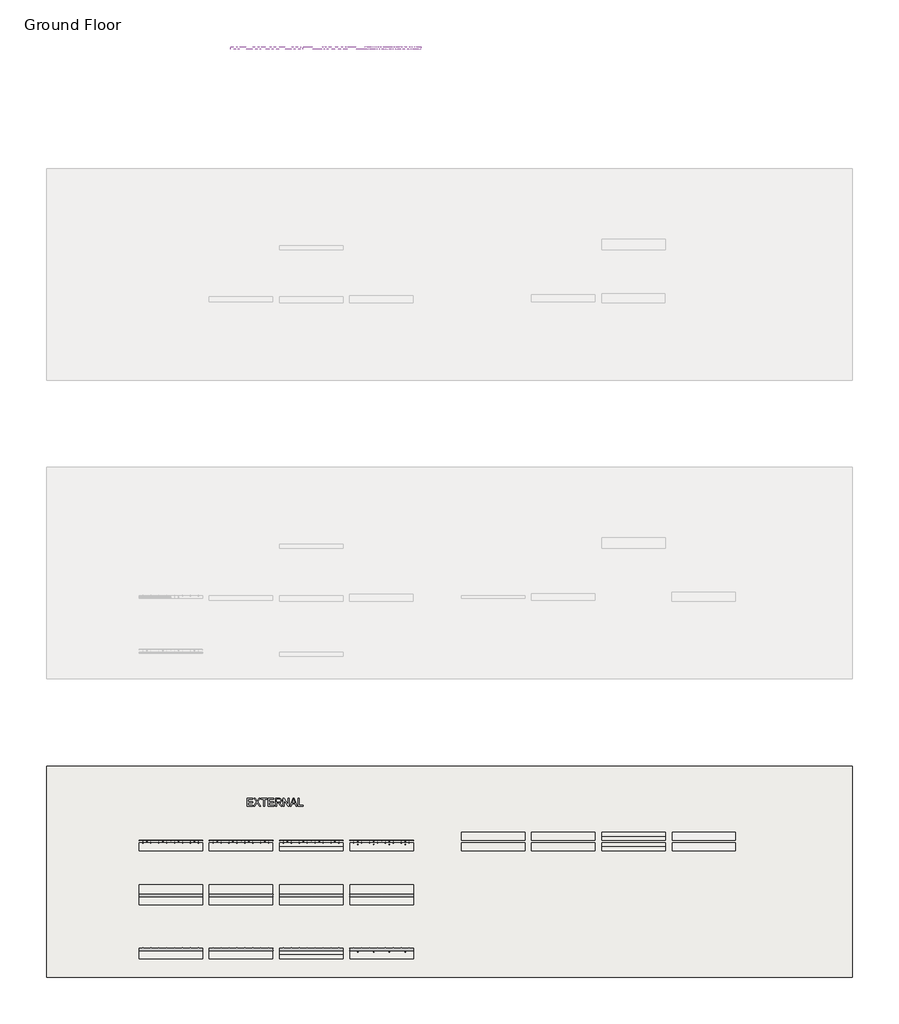
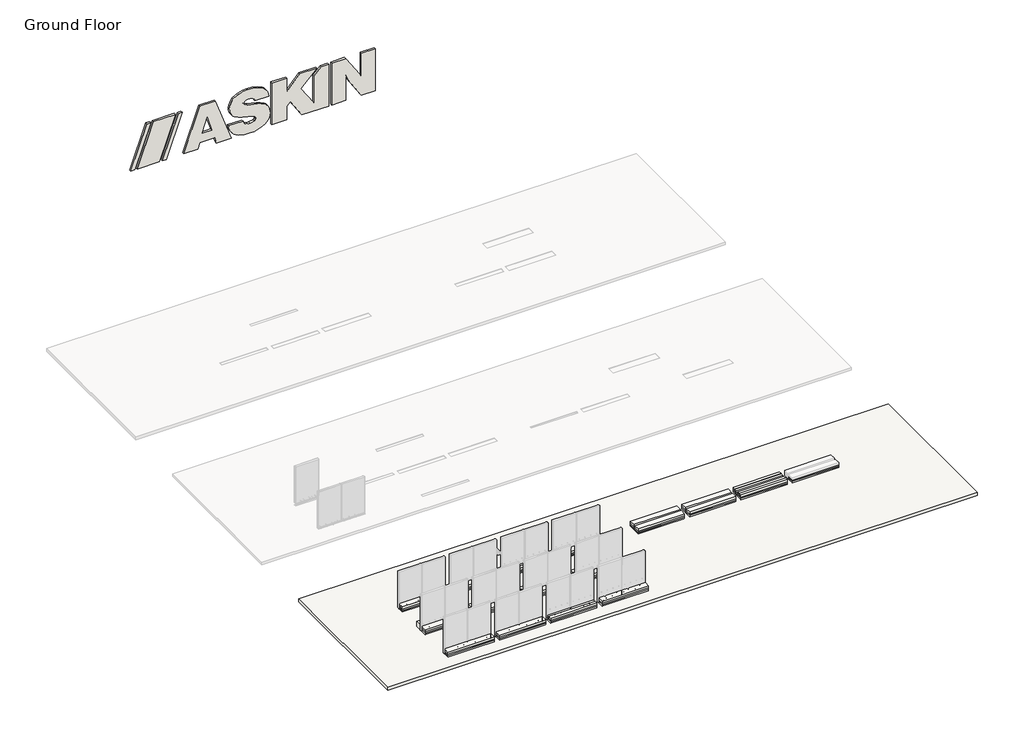
# One storey, part 1 of 24: 69 slabs, 2 walls.
"""IFC4 building model written with IfcOpenShell, lengths in millimetres."""

from ifc_helpers import new_model, si_unit, point, frame, frame_2d, origin, origin_with_axes, place, context, project, spatial, polyline, circle_curve, trimmed, segment, composite_curve, outline, extrude, element, save

model = new_model("IFC4")

# Units and contexts
model_context = context("Model", 3, world=origin())
ifc_project = project(units=[si_unit("LENGTHUNIT", "METRE", prefix="MILLI")], contexts=[model_context])

# Site, building, storey
site = spatial("IfcSite", under=ifc_project)
building = spatial("IfcBuilding", under=site)
storey = spatial("IfcBuildingStorey", under=building, Name="Ground Floor", Elevation=0.0)

# Slabs
placement = place(None, origin())
element("IfcSlab", 1, ObjectType="Concrete 105mm", at=placement, inside=storey, context=model_context, shape_type="SweptSolid", body=[
    extrude(outline(polyline([(-2895.3690716, -21717.3538557), (-2895.3690716, -21869.3538557), (-5295.3690716, -21869.3538557), (-5295.3690716, -21717.3538557), (-2895.3690716, -21717.3538557)])), frame((0.0, 0.0, 149.9517125), z_axis=(0.0, 0.0, 1.0), x_axis=(1.0, 0.0, 0.0)), (0.0, 0.0, 1.0), 105.0),
])
element("IfcSlab", 2, ObjectType="Concrete 105mm", at=placement, inside=storey, context=model_context, shape_type="SweptSolid", body=[
    extrude(outline(polyline([(-2895.3690716, -25792.7541708), (-2895.3690716, -25944.7541708), (-5295.3690716, -25944.7541708), (-5295.3690716, -25792.7541708), (-2895.3690716, -25792.7541708)])), frame((0.0, 0.0, 149.9517125), z_axis=(0.0, 0.0, 1.0), x_axis=(1.0, 0.0, 0.0)), (0.0, 0.0, 1.0), 105.0),
])
element("IfcSlab", 3, ObjectType="Concrete 105mm", at=placement, inside=storey, context=model_context, shape_type="SweptSolid", body=[
    extrude(outline(polyline([(9304.6309284, -21717.3538557), (9304.6309284, -21869.3538557), (6904.6309284, -21869.3538557), (6904.6309284, -21717.3538557), (9304.6309284, -21717.3538557)])), frame((0.0, 0.0, 149.9517125), z_axis=(0.0, 0.0, 1.0), x_axis=(1.0, 0.0, 0.0)), (0.0, 0.0, 1.0), 105.0),
])
element("IfcSlab", 4, ObjectType="Concrete 105mm", at=placement, inside=storey, context=model_context, shape_type="SweptSolid", body=[
    extrude(outline(polyline([(9304.6309284, -21617.3538594), (6904.6309284, -21617.3538594), (6904.6309284, -21465.3538594), (9304.6309284, -21465.3538594), (9304.6309284, -21617.3538594)])), frame((0.0, 0.0, 149.9517125), z_axis=(0.0, 0.0, 1.0), x_axis=(1.0, 0.0, 0.0)), (0.0, 0.0, 1.0), 105.0),
])
element("IfcSlab", 5, ObjectType="Concrete 125mm", at=placement, inside=storey, context=model_context, shape_type="SweptSolid", body=[
    extrude(outline(polyline([(-8215.3690716, -21717.3538557), (-8215.3690716, -22017.3538557), (-10615.3690716, -22017.3538557), (-10615.3690716, -21717.3538557), (-8215.3690716, -21717.3538557)])), frame((0.0, 0.0, 150.0), z_axis=(0.0, 0.0, 1.0), x_axis=(1.0, 0.0, 0.0)), (0.0, 0.0, 1.0), 125.0),
])
element("IfcSlab", 6, ObjectType="Concrete 125mm", at=placement, inside=storey, context=model_context, shape_type="SweptSolid", body=[
    extrude(outline(polyline([(-5555.3690716, -21717.3538557), (-5555.3690716, -22017.3538557), (-7955.3690716, -22017.3538557), (-7955.3690716, -21717.3538557), (-5555.3690716, -21717.3538557)])), frame((0.0, 0.0, 150.0), z_axis=(0.0, 0.0, 1.0), x_axis=(1.0, 0.0, 0.0)), (0.0, 0.0, 1.0), 125.0),
])
element("IfcSlab", 7, ObjectType="Concrete 125mm", at=placement, inside=storey, context=model_context, shape_type="SweptSolid", body=[
    extrude(outline(polyline([(-2895.3690716, -21869.3538557), (-2895.3690716, -22017.3538557), (-5295.3690716, -22017.3538557), (-5295.3690716, -21869.3538557), (-2895.3690716, -21869.3538557)])), frame((0.0, 0.0, 150.0), z_axis=(0.0, 0.0, 1.0), x_axis=(1.0, 0.0, 0.0)), (0.0, 0.0, 1.0), 125.0),
])
element("IfcSlab", 8, ObjectType="Concrete 125mm", at=placement, inside=storey, context=model_context, shape_type="SweptSolid", body=[
    extrude(outline(polyline([(-235.3690716, -21717.3538557), (-235.3690716, -22017.3538557), (-2635.3690716, -22017.3538557), (-2635.3690716, -21717.3538557), (-235.3690716, -21717.3538557)])), frame((0.0, 0.0, 150.0), z_axis=(0.0, 0.0, 1.0), x_axis=(1.0, 0.0, 0.0)), (0.0, 0.0, 1.0), 125.0),
])
element("IfcSlab", 9, ObjectType="Concrete 125mm", at=placement, inside=storey, context=model_context, shape_type="SweptSolid", body=[
    extrude(outline(polyline([(-8215.3690716, -23755.054017), (-8215.3690716, -24055.054017), (-10615.3690716, -24055.054017), (-10615.3690716, -23755.054017), (-8215.3690716, -23755.054017)])), frame((0.0, 0.0, 150.0), z_axis=(0.0, 0.0, 1.0), x_axis=(1.0, 0.0, 0.0)), (0.0, 0.0, 1.0), 125.0),
])
element("IfcSlab", 10, ObjectType="Concrete 125mm", at=placement, inside=storey, context=model_context, shape_type="SweptSolid", body=[
    extrude(outline(polyline([(-5555.3690716, -23755.054017), (-5555.3690716, -24055.054017), (-7955.3690716, -24055.054017), (-7955.3690716, -23755.054017), (-5555.3690716, -23755.054017)])), frame((0.0, 0.0, 150.0), z_axis=(0.0, 0.0, 1.0), x_axis=(1.0, 0.0, 0.0)), (0.0, 0.0, 1.0), 125.0),
])
element("IfcSlab", 11, ObjectType="Concrete 125mm", at=placement, inside=storey, context=model_context, shape_type="SweptSolid", body=[
    extrude(outline(polyline([(-2895.3690716, -23755.054017), (-2895.3690716, -24055.054017), (-5295.3690716, -24055.054017), (-5295.3690716, -23755.054017), (-2895.3690716, -23755.054017)])), frame((0.0, 0.0, 150.0), z_axis=(0.0, 0.0, 1.0), x_axis=(1.0, 0.0, 0.0)), (0.0, 0.0, 1.0), 125.0),
])
element("IfcSlab", 12, ObjectType="Concrete 125mm", at=placement, inside=storey, context=model_context, shape_type="SweptSolid", body=[
    extrude(outline(polyline([(-235.3690716, -23755.054017), (-235.3690716, -24055.054017), (-2635.3690716, -24055.054017), (-2635.3690716, -23755.054017), (-235.3690716, -23755.054017)])), frame((0.0, 0.0, 150.0), z_axis=(0.0, 0.0, 1.0), x_axis=(1.0, 0.0, 0.0)), (0.0, 0.0, 1.0), 125.0),
])
element("IfcSlab", 13, ObjectType="Concrete 125mm", at=placement, inside=storey, context=model_context, shape_type="SweptSolid", body=[
    extrude(outline(polyline([(-8215.3690716, -25792.7541708), (-8215.3690716, -26092.7541708), (-10615.3690716, -26092.7541708), (-10615.3690716, -25792.7541708), (-8215.3690716, -25792.7541708)])), frame((0.0, 0.0, 150.0), z_axis=(0.0, 0.0, 1.0), x_axis=(1.0, 0.0, 0.0)), (0.0, 0.0, 1.0), 125.0),
])
element("IfcSlab", 14, ObjectType="Concrete 125mm", at=placement, inside=storey, context=model_context, shape_type="SweptSolid", body=[
    extrude(outline(polyline([(-5555.3690716, -25792.7541708), (-5555.3690716, -26092.7541708), (-7955.3690716, -26092.7541708), (-7955.3690716, -25792.7541708), (-5555.3690716, -25792.7541708)])), frame((0.0, 0.0, 150.0), z_axis=(0.0, 0.0, 1.0), x_axis=(1.0, 0.0, 0.0)), (0.0, 0.0, 1.0), 125.0),
])
element("IfcSlab", 15, ObjectType="Concrete 125mm", at=placement, inside=storey, context=model_context, shape_type="SweptSolid", body=[
    extrude(outline(polyline([(-2895.3690716, -25944.7541708), (-2895.3690716, -26092.7541708), (-5295.3690716, -26092.7541708), (-5295.3690716, -25944.7541708), (-2895.3690716, -25944.7541708)])), frame((0.0, 0.0, 150.0), z_axis=(0.0, 0.0, 1.0), x_axis=(1.0, 0.0, 0.0)), (0.0, 0.0, 1.0), 125.0),
])
element("IfcSlab", 16, ObjectType="Concrete 125mm", at=placement, inside=storey, context=model_context, shape_type="SweptSolid", body=[
    extrude(outline(polyline([(-235.3690716, -25792.7541708), (-235.3690716, -26092.7541708), (-2635.3690716, -26092.7541708), (-2635.3690716, -25792.7541708), (-235.3690716, -25792.7541708)])), frame((0.0, 0.0, 150.0), z_axis=(0.0, 0.0, 1.0), x_axis=(1.0, 0.0, 0.0)), (0.0, 0.0, 1.0), 125.0),
])
element("IfcSlab", 17, ObjectType="Concrete 125mm", at=placement, inside=storey, context=model_context, shape_type="SweptSolid", body=[
    extrude(outline(polyline([(3984.6309284, -21717.3538557), (3984.6309284, -22017.3538557), (1584.6309284, -22017.3538557), (1584.6309284, -21717.3538557), (3984.6309284, -21717.3538557)])), frame((0.0, 0.0, 150.0), z_axis=(0.0, 0.0, 1.0), x_axis=(1.0, 0.0, 0.0)), (0.0, 0.0, 1.0), 125.0),
])
element("IfcSlab", 18, ObjectType="Concrete 125mm", at=placement, inside=storey, context=model_context, shape_type="SweptSolid", body=[
    extrude(outline(polyline([(6644.6309284, -21717.3538557), (6644.6309284, -22017.3538557), (4244.6309284, -22017.3538557), (4244.6309284, -21717.3538557), (6644.6309284, -21717.3538557)])), frame((0.0, 0.0, 150.0), z_axis=(0.0, 0.0, 1.0), x_axis=(1.0, 0.0, 0.0)), (0.0, 0.0, 1.0), 125.0),
])
element("IfcSlab", 19, ObjectType="Concrete 125mm", at=placement, inside=storey, context=model_context, shape_type="SweptSolid", body=[
    extrude(outline(polyline([(9304.6309284, -21869.3538557), (9304.6309284, -22017.3538557), (6904.6309284, -22017.3538557), (6904.6309284, -21869.3538557), (9304.6309284, -21869.3538557)])), frame((0.0, 0.0, 150.0), z_axis=(0.0, 0.0, 1.0), x_axis=(1.0, 0.0, 0.0)), (0.0, 0.0, 1.0), 125.0),
])
element("IfcSlab", 20, ObjectType="Concrete 125mm", at=placement, inside=storey, context=model_context, shape_type="SweptSolid", body=[
    extrude(outline(polyline([(3984.6309284, -21617.3538594), (1584.6309284, -21617.3538594), (1584.6309284, -21317.3538594), (3984.6309284, -21317.3538594), (3984.6309284, -21617.3538594)])), frame((0.0, 0.0, 150.0), z_axis=(0.0, 0.0, 1.0), x_axis=(1.0, 0.0, 0.0)), (0.0, 0.0, 1.0), 125.0),
])
element("IfcSlab", 21, ObjectType="Concrete 125mm", at=placement, inside=storey, context=model_context, shape_type="SweptSolid", body=[
    extrude(outline(polyline([(6644.6309284, -21617.3538594), (4244.6309284, -21617.3538594), (4244.6309284, -21317.3538594), (6644.6309284, -21317.3538594), (6644.6309284, -21617.3538594)])), frame((0.0, 0.0, 150.0), z_axis=(0.0, 0.0, 1.0), x_axis=(1.0, 0.0, 0.0)), (0.0, 0.0, 1.0), 125.0),
])
element("IfcSlab", 22, ObjectType="Concrete 125mm", at=placement, inside=storey, context=model_context, shape_type="SweptSolid", body=[
    extrude(outline(polyline([(9304.6309284, -21465.3538594), (6904.6309284, -21465.3538594), (6904.6309284, -21317.3538594), (9304.6309284, -21317.3538594), (9304.6309284, -21465.3538594)])), frame((0.0, 0.0, 150.0), z_axis=(0.0, 0.0, 1.0), x_axis=(1.0, 0.0, 0.0)), (0.0, 0.0, 1.0), 125.0),
])
element("IfcSlab", 23, ObjectType="Concrete 275mm", at=placement, inside=storey, context=model_context, shape_type="SweptSolid", body=[
    extrude(outline(polyline([(-8215.3690716, -23635.054017), (-10615.3690716, -23635.054017), (-10615.3690716, -23305.054017), (-8215.3690716, -23305.054017), (-8215.3690716, -23635.054017)])), origin_with_axes(), (0.0, 0.0, 1.0), 275.0),
])
element("IfcSlab", 24, ObjectType="Concrete 275mm", at=placement, inside=storey, context=model_context, shape_type="SweptSolid", body=[
    extrude(outline(polyline([(-5555.3690716, -23635.054017), (-7955.3690716, -23635.054017), (-7955.3690716, -23305.054017), (-5555.3690716, -23305.054017), (-5555.3690716, -23635.054017)])), origin_with_axes(), (0.0, 0.0, 1.0), 275.0),
])
element("IfcSlab", 25, ObjectType="Concrete 275mm", at=placement, inside=storey, context=model_context, shape_type="SweptSolid", body=[
    extrude(outline(polyline([(-2895.3690716, -23635.054017), (-5295.3690716, -23635.054017), (-5295.3690716, -23305.054017), (-2895.3690716, -23305.054017), (-2895.3690716, -23635.054017)])), origin_with_axes(), (0.0, 0.0, 1.0), 275.0),
])
element("IfcSlab", 26, ObjectType="Concrete 275mm", at=placement, inside=storey, context=model_context, shape_type="SweptSolid", body=[
    extrude(outline(polyline([(-235.3690716, -23635.054017), (-2635.3690716, -23635.054017), (-2635.3690716, -23305.054017), (-235.3690716, -23305.054017), (-235.3690716, -23635.054017)])), origin_with_axes(), (0.0, 0.0, 1.0), 275.0),
])
element("IfcSlab", 27, ObjectType="Concrete Floor", at=placement, inside=storey, context=model_context, shape_type="SweptSolid", body=[
    extrude(outline(polyline([(-14120.687107, -18805.2309622), (16379.312893, -18805.2309622), (16379.312893, -26805.2309622), (-14120.687107, -26805.2309622), (-14120.687107, -18805.2309622)])), frame((0.0, 0.0, -150.0), z_axis=(0.0, 0.0, 1.0), x_axis=(1.0, 0.0, 0.0)), (0.0, 0.0, 1.0), 150.0),
])
element("IfcSlab", 28, ObjectType="Insulation 75mm", at=placement, inside=storey, context=model_context, shape_type="SweptSolid", body=[
    extrude(outline(polyline([(-8215.3690716, -21717.3538557), (-8215.3690716, -22017.3538557), (-10615.3690716, -22017.3538557), (-10615.3690716, -21717.3538557), (-8215.3690716, -21717.3538557)])), origin_with_axes(), (0.0, 0.0, 1.0), 75.0),
])
element("IfcSlab", 29, ObjectType="Insulation 75mm", at=placement, inside=storey, context=model_context, shape_type="SweptSolid", body=[
    extrude(outline(polyline([(-8215.3690716, -21717.3538557), (-8215.3690716, -22017.3538557), (-10615.3690716, -22017.3538557), (-10615.3690716, -21717.3538557), (-8215.3690716, -21717.3538557)])), frame((0.0, 0.0, 75.0), z_axis=(0.0, 0.0, 1.0), x_axis=(1.0, 0.0, 0.0)), (0.0, 0.0, 1.0), 75.0),
])
element("IfcSlab", 30, ObjectType="Insulation 75mm", at=placement, inside=storey, context=model_context, shape_type="SweptSolid", body=[
    extrude(outline(polyline([(-5555.3690716, -21717.3538557), (-5555.3690716, -22017.3538557), (-7955.3690716, -22017.3538557), (-7955.3690716, -21717.3538557), (-5555.3690716, -21717.3538557)])), origin_with_axes(), (0.0, 0.0, 1.0), 75.0),
])
element("IfcSlab", 31, ObjectType="Insulation 75mm", at=placement, inside=storey, context=model_context, shape_type="SweptSolid", body=[
    extrude(outline(polyline([(-5555.3690716, -21717.3538557), (-5555.3690716, -22017.3538557), (-7955.3690716, -22017.3538557), (-7955.3690716, -21717.3538557), (-5555.3690716, -21717.3538557)])), frame((0.0, 0.0, 75.0), z_axis=(0.0, 0.0, 1.0), x_axis=(1.0, 0.0, 0.0)), (0.0, 0.0, 1.0), 75.0),
])
element("IfcSlab", 32, ObjectType="Insulation 75mm", at=placement, inside=storey, context=model_context, shape_type="SweptSolid", body=[
    extrude(outline(polyline([(-2895.3690716, -21717.3538557), (-2895.3690716, -22017.3538557), (-5295.3690716, -22017.3538557), (-5295.3690716, -21717.3538557), (-2895.3690716, -21717.3538557)])), origin_with_axes(), (0.0, 0.0, 1.0), 75.0),
])
element("IfcSlab", 33, ObjectType="Insulation 75mm", at=placement, inside=storey, context=model_context, shape_type="SweptSolid", body=[
    extrude(outline(polyline([(-2895.3690716, -21717.3538557), (-2895.3690716, -22017.3538557), (-5295.3690716, -22017.3538557), (-5295.3690716, -21717.3538557), (-2895.3690716, -21717.3538557)])), frame((0.0, 0.0, 75.0), z_axis=(0.0, 0.0, 1.0), x_axis=(1.0, 0.0, 0.0)), (0.0, 0.0, 1.0), 75.0),
])
element("IfcSlab", 34, ObjectType="Insulation 75mm", at=placement, inside=storey, context=model_context, shape_type="SweptSolid", body=[
    extrude(outline(polyline([(-235.3690716, -21717.3538557), (-235.3690716, -22017.3538557), (-2635.3690716, -22017.3538557), (-2635.3690716, -21717.3538557), (-235.3690716, -21717.3538557)])), origin_with_axes(), (0.0, 0.0, 1.0), 75.0),
])
element("IfcSlab", 35, ObjectType="Insulation 75mm", at=placement, inside=storey, context=model_context, shape_type="SweptSolid", body=[
    extrude(outline(polyline([(-235.3690716, -21717.3538557), (-235.3690716, -22017.3538557), (-2635.3690716, -22017.3538557), (-2635.3690716, -21717.3538557), (-235.3690716, -21717.3538557)])), frame((0.0, 0.0, 75.0), z_axis=(0.0, 0.0, 1.0), x_axis=(1.0, 0.0, 0.0)), (0.0, 0.0, 1.0), 75.0),
])
element("IfcSlab", 36, ObjectType="Insulation 75mm", at=placement, inside=storey, context=model_context, shape_type="SweptSolid", body=[
    extrude(outline(polyline([(-8215.3690716, -23755.054017), (-8215.3690716, -24055.054017), (-10615.3690716, -24055.054017), (-10615.3690716, -23755.054017), (-8215.3690716, -23755.054017)])), origin_with_axes(), (0.0, 0.0, 1.0), 75.0),
])
element("IfcSlab", 37, ObjectType="Insulation 75mm", at=placement, inside=storey, context=model_context, shape_type="SweptSolid", body=[
    extrude(outline(polyline([(-8215.3690716, -23755.054017), (-8215.3690716, -24055.054017), (-10615.3690716, -24055.054017), (-10615.3690716, -23755.054017), (-8215.3690716, -23755.054017)])), frame((0.0, 0.0, 75.0), z_axis=(0.0, 0.0, 1.0), x_axis=(1.0, 0.0, 0.0)), (0.0, 0.0, 1.0), 75.0),
])
element("IfcSlab", 38, ObjectType="Insulation 75mm", at=placement, inside=storey, context=model_context, shape_type="SweptSolid", body=[
    extrude(outline(polyline([(-5555.3690716, -23755.054017), (-5555.3690716, -24055.054017), (-7955.3690716, -24055.054017), (-7955.3690716, -23755.054017), (-5555.3690716, -23755.054017)])), origin_with_axes(), (0.0, 0.0, 1.0), 75.0),
])
element("IfcSlab", 39, ObjectType="Insulation 75mm", at=placement, inside=storey, context=model_context, shape_type="SweptSolid", body=[
    extrude(outline(polyline([(-5555.3690716, -23755.054017), (-5555.3690716, -24055.054017), (-7955.3690716, -24055.054017), (-7955.3690716, -23755.054017), (-5555.3690716, -23755.054017)])), frame((0.0, 0.0, 75.0), z_axis=(0.0, 0.0, 1.0), x_axis=(1.0, 0.0, 0.0)), (0.0, 0.0, 1.0), 75.0),
])
element("IfcSlab", 40, ObjectType="Insulation 75mm", at=placement, inside=storey, context=model_context, shape_type="SweptSolid", body=[
    extrude(outline(polyline([(-2895.3690716, -23755.054017), (-2895.3690716, -24055.054017), (-5295.3690716, -24055.054017), (-5295.3690716, -23755.054017), (-2895.3690716, -23755.054017)])), origin_with_axes(), (0.0, 0.0, 1.0), 75.0),
])
element("IfcSlab", 41, ObjectType="Insulation 75mm", at=placement, inside=storey, context=model_context, shape_type="SweptSolid", body=[
    extrude(outline(polyline([(-2895.3690716, -23755.054017), (-2895.3690716, -24055.054017), (-5295.3690716, -24055.054017), (-5295.3690716, -23755.054017), (-2895.3690716, -23755.054017)])), frame((0.0, 0.0, 75.0), z_axis=(0.0, 0.0, 1.0), x_axis=(1.0, 0.0, 0.0)), (0.0, 0.0, 1.0), 75.0),
])
element("IfcSlab", 42, ObjectType="Insulation 75mm", at=placement, inside=storey, context=model_context, shape_type="SweptSolid", body=[
    extrude(outline(polyline([(-235.3690716, -23755.054017), (-235.3690716, -24055.054017), (-2635.3690716, -24055.054017), (-2635.3690716, -23755.054017), (-235.3690716, -23755.054017)])), origin_with_axes(), (0.0, 0.0, 1.0), 75.0),
])
element("IfcSlab", 43, ObjectType="Insulation 75mm", at=placement, inside=storey, context=model_context, shape_type="SweptSolid", body=[
    extrude(outline(polyline([(-235.3690716, -23755.054017), (-235.3690716, -24055.054017), (-2635.3690716, -24055.054017), (-2635.3690716, -23755.054017), (-235.3690716, -23755.054017)])), frame((0.0, 0.0, 75.0), z_axis=(0.0, 0.0, 1.0), x_axis=(1.0, 0.0, 0.0)), (0.0, 0.0, 1.0), 75.0),
])
element("IfcSlab", 44, ObjectType="Insulation 75mm", at=placement, inside=storey, context=model_context, shape_type="SweptSolid", body=[
    extrude(outline(polyline([(-8215.3690716, -25792.7541708), (-8215.3690716, -26092.7541708), (-10615.3690716, -26092.7541708), (-10615.3690716, -25792.7541708), (-8215.3690716, -25792.7541708)])), origin_with_axes(), (0.0, 0.0, 1.0), 75.0),
])
element("IfcSlab", 45, ObjectType="Insulation 75mm", at=placement, inside=storey, context=model_context, shape_type="SweptSolid", body=[
    extrude(outline(polyline([(-8215.3690716, -25792.7541708), (-8215.3690716, -26092.7541708), (-10615.3690716, -26092.7541708), (-10615.3690716, -25792.7541708), (-8215.3690716, -25792.7541708)])), frame((0.0, 0.0, 75.0), z_axis=(0.0, 0.0, 1.0), x_axis=(1.0, 0.0, 0.0)), (0.0, 0.0, 1.0), 75.0),
])
element("IfcSlab", 46, ObjectType="Insulation 75mm", at=placement, inside=storey, context=model_context, shape_type="SweptSolid", body=[
    extrude(outline(polyline([(-5555.3690716, -25792.7541708), (-5555.3690716, -26092.7541708), (-7955.3690716, -26092.7541708), (-7955.3690716, -25792.7541708), (-5555.3690716, -25792.7541708)])), origin_with_axes(), (0.0, 0.0, 1.0), 75.0),
])
element("IfcSlab", 47, ObjectType="Insulation 75mm", at=placement, inside=storey, context=model_context, shape_type="SweptSolid", body=[
    extrude(outline(polyline([(-5555.3690716, -25792.7541708), (-5555.3690716, -26092.7541708), (-7955.3690716, -26092.7541708), (-7955.3690716, -25792.7541708), (-5555.3690716, -25792.7541708)])), frame((0.0, 0.0, 75.0), z_axis=(0.0, 0.0, 1.0), x_axis=(1.0, 0.0, 0.0)), (0.0, 0.0, 1.0), 75.0),
])
element("IfcSlab", 48, ObjectType="Insulation 75mm", at=placement, inside=storey, context=model_context, shape_type="SweptSolid", body=[
    extrude(outline(polyline([(-2895.3690716, -25792.7541708), (-2895.3690716, -26092.7541708), (-5295.3690716, -26092.7541708), (-5295.3690716, -25792.7541708), (-2895.3690716, -25792.7541708)])), origin_with_axes(), (0.0, 0.0, 1.0), 75.0),
])
element("IfcSlab", 49, ObjectType="Insulation 75mm", at=placement, inside=storey, context=model_context, shape_type="SweptSolid", body=[
    extrude(outline(polyline([(-2895.3690716, -25792.7541708), (-2895.3690716, -26092.7541708), (-5295.3690716, -26092.7541708), (-5295.3690716, -25792.7541708), (-2895.3690716, -25792.7541708)])), frame((0.0, 0.0, 75.0), z_axis=(0.0, 0.0, 1.0), x_axis=(1.0, 0.0, 0.0)), (0.0, 0.0, 1.0), 75.0),
])
element("IfcSlab", 50, ObjectType="Insulation 75mm", at=placement, inside=storey, context=model_context, shape_type="SweptSolid", body=[
    extrude(outline(polyline([(-235.3690716, -25792.7541708), (-235.3690716, -26092.7541708), (-2635.3690716, -26092.7541708), (-2635.3690716, -25792.7541708), (-235.3690716, -25792.7541708)])), origin_with_axes(), (0.0, 0.0, 1.0), 75.0),
])
element("IfcSlab", 51, ObjectType="Insulation 75mm", at=placement, inside=storey, context=model_context, shape_type="SweptSolid", body=[
    extrude(outline(polyline([(-235.3690716, -25792.7541708), (-235.3690716, -26092.7541708), (-2635.3690716, -26092.7541708), (-2635.3690716, -25792.7541708), (-235.3690716, -25792.7541708)])), frame((0.0, 0.0, 75.0), z_axis=(0.0, 0.0, 1.0), x_axis=(1.0, 0.0, 0.0)), (0.0, 0.0, 1.0), 75.0),
])
element("IfcSlab", 52, ObjectType="Insulation 75mm", at=placement, inside=storey, context=model_context, shape_type="SweptSolid", body=[
    extrude(outline(polyline([(3984.6309284, -21717.3538557), (3984.6309284, -22017.3538557), (1584.6309284, -22017.3538557), (1584.6309284, -21717.3538557), (3984.6309284, -21717.3538557)])), origin_with_axes(), (0.0, 0.0, 1.0), 75.0),
])
element("IfcSlab", 53, ObjectType="Insulation 75mm", at=placement, inside=storey, context=model_context, shape_type="SweptSolid", body=[
    extrude(outline(polyline([(3984.6309284, -21717.3538557), (3984.6309284, -22017.3538557), (1584.6309284, -22017.3538557), (1584.6309284, -21717.3538557), (3984.6309284, -21717.3538557)])), frame((0.0, 0.0, 75.0), z_axis=(0.0, 0.0, 1.0), x_axis=(1.0, 0.0, 0.0)), (0.0, 0.0, 1.0), 75.0),
])
element("IfcSlab", 54, ObjectType="Insulation 75mm", at=placement, inside=storey, context=model_context, shape_type="SweptSolid", body=[
    extrude(outline(polyline([(6644.6309284, -21717.3538557), (6644.6309284, -22017.3538557), (4244.6309284, -22017.3538557), (4244.6309284, -21717.3538557), (6644.6309284, -21717.3538557)])), origin_with_axes(), (0.0, 0.0, 1.0), 75.0),
])
element("IfcSlab", 55, ObjectType="Insulation 75mm", at=placement, inside=storey, context=model_context, shape_type="SweptSolid", body=[
    extrude(outline(polyline([(6644.6309284, -21717.3538557), (6644.6309284, -22017.3538557), (4244.6309284, -22017.3538557), (4244.6309284, -21717.3538557), (6644.6309284, -21717.3538557)])), frame((0.0, 0.0, 75.0), z_axis=(0.0, 0.0, 1.0), x_axis=(1.0, 0.0, 0.0)), (0.0, 0.0, 1.0), 75.0),
])
element("IfcSlab", 56, ObjectType="Insulation 75mm", at=placement, inside=storey, context=model_context, shape_type="SweptSolid", body=[
    extrude(outline(polyline([(9304.6309284, -21717.3538557), (9304.6309284, -22017.3538557), (6904.6309284, -22017.3538557), (6904.6309284, -21717.3538557), (9304.6309284, -21717.3538557)])), origin_with_axes(), (0.0, 0.0, 1.0), 75.0),
])
element("IfcSlab", 57, ObjectType="Insulation 75mm", at=placement, inside=storey, context=model_context, shape_type="SweptSolid", body=[
    extrude(outline(polyline([(9304.6309284, -21717.3538557), (9304.6309284, -22017.3538557), (6904.6309284, -22017.3538557), (6904.6309284, -21717.3538557), (9304.6309284, -21717.3538557)])), frame((0.0, 0.0, 75.0), z_axis=(0.0, 0.0, 1.0), x_axis=(1.0, 0.0, 0.0)), (0.0, 0.0, 1.0), 75.0),
])
element("IfcSlab", 58, ObjectType="Insulation 75mm", at=placement, inside=storey, context=model_context, shape_type="SweptSolid", body=[
    extrude(outline(polyline([(11964.6309284, -21717.3538557), (11964.6309284, -22017.3538557), (9564.6309284, -22017.3538557), (9564.6309284, -21717.3538557), (11964.6309284, -21717.3538557)])), origin_with_axes(), (0.0, 0.0, 1.0), 75.0),
])
element("IfcSlab", 59, ObjectType="Insulation 75mm", at=placement, inside=storey, context=model_context, shape_type="SweptSolid", body=[
    extrude(outline(polyline([(11964.6309284, -21717.3538557), (11964.6309284, -22017.3538557), (9564.6309284, -22017.3538557), (9564.6309284, -21717.3538557), (11964.6309284, -21717.3538557)])), frame((0.0, 0.0, 75.0), z_axis=(0.0, 0.0, 1.0), x_axis=(1.0, 0.0, 0.0)), (0.0, 0.0, 1.0), 75.0),
])
element("IfcSlab", 60, ObjectType="Insulation 75mm", at=placement, inside=storey, context=model_context, shape_type="SweptSolid", body=[
    extrude(outline(polyline([(3984.6309284, -21617.3538594), (1584.6309284, -21617.3538594), (1584.6309284, -21317.3538594), (3984.6309284, -21317.3538594), (3984.6309284, -21617.3538594)])), origin_with_axes(), (0.0, 0.0, 1.0), 75.0),
])
element("IfcSlab", 61, ObjectType="Insulation 75mm", at=placement, inside=storey, context=model_context, shape_type="SweptSolid", body=[
    extrude(outline(polyline([(3984.6309284, -21617.3538594), (1584.6309284, -21617.3538594), (1584.6309284, -21317.3538594), (3984.6309284, -21317.3538594), (3984.6309284, -21617.3538594)])), frame((0.0, 0.0, 75.0), z_axis=(0.0, 0.0, 1.0), x_axis=(1.0, 0.0, 0.0)), (0.0, 0.0, 1.0), 75.0),
])
element("IfcSlab", 62, ObjectType="Insulation 75mm", at=placement, inside=storey, context=model_context, shape_type="SweptSolid", body=[
    extrude(outline(polyline([(6644.6309284, -21617.3538594), (4244.6309284, -21617.3538594), (4244.6309284, -21317.3538594), (6644.6309284, -21317.3538594), (6644.6309284, -21617.3538594)])), origin_with_axes(), (0.0, 0.0, 1.0), 75.0),
])
element("IfcSlab", 63, ObjectType="Insulation 75mm", at=placement, inside=storey, context=model_context, shape_type="SweptSolid", body=[
    extrude(outline(polyline([(6644.6309284, -21617.3538594), (4244.6309284, -21617.3538594), (4244.6309284, -21317.3538594), (6644.6309284, -21317.3538594), (6644.6309284, -21617.3538594)])), frame((0.0, 0.0, 75.0), z_axis=(0.0, 0.0, 1.0), x_axis=(1.0, 0.0, 0.0)), (0.0, 0.0, 1.0), 75.0),
])
element("IfcSlab", 64, ObjectType="Insulation 75mm", at=placement, inside=storey, context=model_context, shape_type="SweptSolid", body=[
    extrude(outline(polyline([(9304.6309284, -21617.3538594), (6904.6309284, -21617.3538594), (6904.6309284, -21317.3538594), (9304.6309284, -21317.3538594), (9304.6309284, -21617.3538594)])), origin_with_axes(), (0.0, 0.0, 1.0), 75.0),
])
element("IfcSlab", 65, ObjectType="Insulation 75mm", at=placement, inside=storey, context=model_context, shape_type="SweptSolid", body=[
    extrude(outline(polyline([(9304.6309284, -21617.3538594), (6904.6309284, -21617.3538594), (6904.6309284, -21317.3538594), (9304.6309284, -21317.3538594), (9304.6309284, -21617.3538594)])), frame((0.0, 0.0, 75.0), z_axis=(0.0, 0.0, 1.0), x_axis=(1.0, 0.0, 0.0)), (0.0, 0.0, 1.0), 75.0),
])
element("IfcSlab", 66, ObjectType="grout 275mm", at=placement, inside=storey, context=model_context, shape_type="SweptSolid", body=[
    extrude(outline(polyline([(-8215.3690716, -23635.054017), (-8215.3690716, -23655.054017), (-10615.3690716, -23655.054017), (-10615.3690716, -23635.054017), (-8215.3690716, -23635.054017)])), origin_with_axes(), (0.0, 0.0, 1.0), 275.0),
])
element("IfcSlab", 67, ObjectType="grout 275mm", at=placement, inside=storey, context=model_context, shape_type="SweptSolid", body=[
    extrude(outline(polyline([(-5555.3690716, -23635.054017), (-5555.3690716, -23655.054017), (-7955.3690716, -23655.054017), (-7955.3690716, -23635.054017), (-5555.3690716, -23635.054017)])), origin_with_axes(), (0.0, 0.0, 1.0), 275.0),
])
element("IfcSlab", 68, ObjectType="grout 275mm", at=placement, inside=storey, context=model_context, shape_type="SweptSolid", body=[
    extrude(outline(polyline([(-2895.3690716, -23635.054017), (-2895.3690716, -23655.054017), (-5295.3690716, -23655.054017), (-5295.3690716, -23635.054017), (-2895.3690716, -23635.054017)])), origin_with_axes(), (0.0, 0.0, 1.0), 275.0),
])
element("IfcSlab", 69, ObjectType="grout 275mm", at=placement, inside=storey, context=model_context, shape_type="SweptSolid", body=[
    extrude(outline(polyline([(-235.3690716, -23635.054017), (-235.3690716, -23655.054017), (-2635.3690716, -23655.054017), (-2635.3690716, -23635.054017), (-235.3690716, -23635.054017)])), origin_with_axes(), (0.0, 0.0, 1.0), 275.0),
])

# Walls
element("IfcWall", 70, ObjectType="RED SIGN", at=placement, inside=storey, context=model_context, shape_type="SweptSolid", body=[
    extrude(outline(polyline([(4530.0, -6944.1676643), (6822.6552576, -6120.3205309), (6822.6552576, -6320.3205309), (4530.0, -7144.1676643), (4530.0, -6944.1676643)])), frame((0.0, 8315.8924798, 0.0), z_axis=(0.0, 1.0, 0.0), x_axis=(0.0, 0.0, 1.0)), (0.0, 0.0, 1.0), 100.0),
    extrude(outline(polyline([(4530.0, -5666.5556737), (6822.6552576, -4842.7085403), (6822.6552576, -5990.3205309), (4530.0, -6814.1676643), (4530.0, -5666.5556737)])), frame((0.0, 8315.8924798, 0.0), z_axis=(0.0, 1.0, 0.0), x_axis=(0.0, 0.0, 1.0)), (0.0, 0.0, 1.0), 100.0),
    extrude(outline(polyline([(4530.0, -5324.1676643), (6822.6552576, -4500.3205309), (6822.6552576, -4700.3205309), (4530.0, -5524.1676643), (4530.0, -5324.1676643)])), frame((0.0, 8315.8924798, 0.0), z_axis=(0.0, 1.0, 0.0), x_axis=(0.0, 0.0, 1.0)), (0.0, 0.0, 1.0), 100.0),
])
element("IfcWall", 71, ObjectType="RED SIGN", at=placement, inside=storey, context=model_context, shape_type="SweptSolid", body=[
    extrude(outline(polyline([(4530.0, -3684.1676643), (4834.1698999, -3591.1735936), (4834.1698999, -2818.1825436), (4524.1698999, -2723.4060324), (4524.1698999, -1962.072665), (6822.6552576, -2788.0147977), (6822.6552576, -3580.3205309), (4530.0, -4404.1676643), (4530.0, -3684.1676643)]), holes=[polyline([(5314.1698999, -3444.4228665), (6098.3397998, -3204.6780686), (5314.1698999, -2964.9332707), (5314.1698999, -3444.4228665)])]), frame((0.0, 8315.8924798, 0.0), z_axis=(0.0, 1.0, 0.0), x_axis=(0.0, 0.0, 1.0)), (0.0, 0.0, 1.0), 100.0),
    extrude(outline(composite_curve([segment(polyline([(5459.3230372, -1378.0213988), (5314.1698999, -795.843963)]), True, "CONTINUOUS"), segment(trimmed(circle_curve(frame_2d((5174.4614708, -830.6771866)), 143.9854111), [point((5314.1698999, -795.843963))], [point((5275.5370769, -728.1319748))], True, "CARTESIAN"), True, "CONTINUOUS"), segment(trimmed(circle_curve(frame_2d((5163.0360684, -910.6671178)), 214.4191115), [point((5275.5370769, -728.1319748))], [point((5149.3986325, -696.6821284))], True, "CARTESIAN"), True, "CONTINUOUS"), segment(trimmed(circle_curve(frame_2d((5156.3395075, -805.591389)), 109.1302103), [point((5149.3986325, -696.6821284))], [point((5053.5623713, -768.8999312))], True, "CARTESIAN"), True, "CONTINUOUS"), segment(trimmed(circle_curve(frame_2d((5948.6044428, -1088.430127)), 950.3682738), [point((5053.5623713, -768.8999312))], [point((5004.0731394, -983.2613454))], True, "CARTESIAN"), True, "CONTINUOUS"), segment(trimmed(circle_curve(frame_2d((5389.8321562, -1026.2136601)), 388.1429124), [point((5004.0731394, -983.2613454))], [point((5069.3920512, -1245.2411915))], True, "CARTESIAN"), True, "CONTINUOUS"), segment(trimmed(circle_curve(frame_2d((5250.567264, -1121.4041343)), 219.4540373), [point((5069.3920512, -1245.2411915))], [point((5233.908833, -1340.2249998))], True, "CARTESIAN"), True, "CONTINUOUS"), segment(polyline([(5233.908833, -1340.2249998), (5233.908833, -2090.2249998)]), True, "CONTINUOUS"), segment(trimmed(circle_curve(frame_2d((5258.425911, -1380.5334903)), 710.114868), [point((5233.908833, -2090.2249998))], [point((4924.8125686, -2007.4029053))], False, "CARTESIAN"), True, "CONTINUOUS"), segment(trimmed(circle_curve(frame_2d((5292.2363704, -1317.0026291)), 782.0823432), [point((4924.8125686, -2007.4029053))], [point((4557.4195123, -1584.7655404))], False, "CARTESIAN"), True, "CONTINUOUS"), segment(trimmed(circle_curve(frame_2d((6056.3875569, -1038.5504622)), 1595.3858813), [point((4557.4195123, -1584.7655404))], [point((4461.9944887, -982.2756526))], False, "CARTESIAN"), True, "CONTINUOUS"), segment(trimmed(circle_curve(frame_2d((5756.9183975, -927.0663397)), 1296.100304), [point((4461.9944887, -982.2756526))], [point((4688.0171204, -194.041062))], False, "CARTESIAN"), True, "CONTINUOUS"), segment(trimmed(circle_curve(frame_2d((5209.4775069, -625.0359782)), 676.5187007), [point((4688.0171204, -194.041062))], [point((5073.7424057, 37.7260717))], False, "CARTESIAN"), True, "CONTINUOUS"), segment(trimmed(circle_curve(frame_2d((5231.8895401, -734.4685781)), 788.2227435), [point((5073.7424057, 37.7260717))], [point((5443.5170117, 24.813258))], False, "CARTESIAN"), True, "CONTINUOUS"), segment(trimmed(circle_curve(frame_2d((5297.3465524, -499.6204268)), 544.4230826), [point((5443.5170117, 24.813258))], [point((5750.9434696, -198.5451379))], False, "CARTESIAN"), True, "CONTINUOUS"), segment(trimmed(circle_curve(frame_2d((4774.8006187, -846.4606763)), 1171.6012164), [point((5750.9434696, -198.5451379))], [point((5918.9578549, -594.3622249))], False, "CARTESIAN"), True, "CONTINUOUS"), segment(trimmed(circle_curve(frame_2d((32714.9116993, 5309.737539)), 27438.6868573), [point((5918.9578549, -594.3622249))], [point((6042.6809347, -1130.2657605))], True, "CARTESIAN"), True, "CONTINUOUS"), segment(trimmed(circle_curve(frame_2d((6410.9918052, -996.4276467)), 391.8743906), [point((6042.6809347, -1130.2657605))], [point((6148.9275864, -1287.7828993))], True, "CARTESIAN"), True, "CONTINUOUS"), segment(trimmed(circle_curve(frame_2d((6201.1024723, -1229.7764034)), 78.0190508), [point((6148.9275864, -1287.7828993))], [point((6230.2914374, -1302.1295415))], True, "CARTESIAN"), True, "CONTINUOUS"), segment(trimmed(circle_curve(frame_2d((6163.3479533, -1136.191108)), 178.9329309), [point((6230.2914374, -1302.1295415))], [point((6329.2863868, -1203.1345921))], True, "CARTESIAN"), True, "CONTINUOUS"), segment(trimmed(circle_curve(frame_2d((5812.6248731, -1043.1345921)), 540.8688563), [point((6329.2863868, -1203.1345921))], [point((6329.2863868, -883.1345921))], True, "CARTESIAN"), True, "CONTINUOUS"), segment(trimmed(circle_curve(frame_2d((6135.5383192, -943.1345921)), 202.8258211), [point((6329.2863868, -883.1345921))], [point((6258.1856183, -781.5921713))], True, "CARTESIAN"), True, "CONTINUOUS"), segment(trimmed(circle_curve(frame_2d((6135.5383192, -943.1345921)), 202.8258211), [point((6258.1856183, -781.5921713))], [point((6145.4225038, -740.5497541))], True, "CARTESIAN"), True, "CONTINUOUS"), segment(polyline([(6145.4225038, -740.5497541), (6145.4225038, -10.5497541)]), True, "CONTINUOUS"), segment(trimmed(circle_curve(frame_2d((6108.8198556, -705.695608)), 696.1088364), [point((6145.4225038, -10.5497541))], [point((6678.9405251, -306.2836225))], False, "CARTESIAN"), True, "CONTINUOUS"), segment(trimmed(circle_curve(frame_2d((5406.0121416, -1015.8154594)), 1457.3201766), [point((6678.9405251, -306.2836225))], [point((6861.1508791, -1095.5233749))], False, "CARTESIAN"), True, "CONTINUOUS"), segment(trimmed(circle_curve(frame_2d((5740.2522106, -1160.6500462)), 1122.7890757), [point((6861.1508791, -1095.5233749))], [point((6633.1009495, -1841.4410846))], False, "CARTESIAN"), True, "CONTINUOUS"), segment(trimmed(circle_curve(frame_2d((6095.8221325, -1241.1107254)), 805.6457456), [point((6633.1009495, -1841.4410846))], [point((6154.4384257, -2044.6212714))], False, "CARTESIAN"), True, "CONTINUOUS"), segment(trimmed(circle_curve(frame_2d((6111.7341522, -1459.2322577)), 586.9445906), [point((6154.4384257, -2044.6212714))], [point((5624.1499384, -1785.9822948))], False, "CARTESIAN"), True, "CONTINUOUS"), segment(trimmed(circle_curve(frame_2d((6993.1327915, -995.599676)), 1580.7652376), [point((5624.1499384, -1785.9822948))], [point((5459.3230372, -1378.0213988))], False, "CARTESIAN"), True, "CONTINUOUS")], self_intersect=False)), frame((0.0, 8315.8924798, 0.0), z_axis=(0.0, 1.0, 0.0), x_axis=(0.0, 0.0, 1.0)), (0.0, 0.0, 1.0), 100.0),
    extrude(outline(polyline([(4512.848294, 135.7228328), (4512.848294, 915.7228328), (5258.4519056, 915.7228328), (5442.2996687, 1099.5705959), (4512.848294, 1703.1633761), (4512.848294, 3083.2271441), (6799.8522202, 3083.2271441), (6799.8522202, 2703.2271441), (6405.4597812, 2308.8347051), (4965.4597812, 2308.8347051), (5960.3048683, 1637.803221), (6799.8522202, 2477.3505728), (6799.8522202, 1597.3505728), (6042.8279216, 915.7228328), (6799.8522202, 915.7228328), (6799.8522202, 135.7228328), (4512.848294, 135.7228328)])), frame((0.0, 8315.8924798, 0.0), z_axis=(0.0, 1.0, 0.0), x_axis=(0.0, 0.0, 1.0)), (0.0, 0.0, 1.0), 100.0),
    extrude(outline(polyline([(6799.8522202, 3963.2271441), (6799.8522202, 3243.2271441), (4512.848294, 3243.2271441), (4512.848294, 3961.6479177), (5891.3711245, 3961.6479177), (5620.6328008, 4065.574623), (4512.848294, 4784.9782933), (4512.848294, 5493.6053685), (6810.3610625, 5493.6053685), (6810.3610625, 4773.6053685), (5460.3610625, 4773.6053685), (5684.4203648, 4687.5970606), (6799.8522202, 3963.2271441)])), frame((0.0, 8315.8924798, 0.0), z_axis=(0.0, 1.0, 0.0), x_axis=(0.0, 0.0, 1.0)), (0.0, 0.0, 1.0), 100.0),
])

save(model, "model.ifc")
